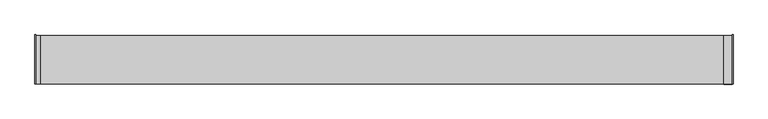
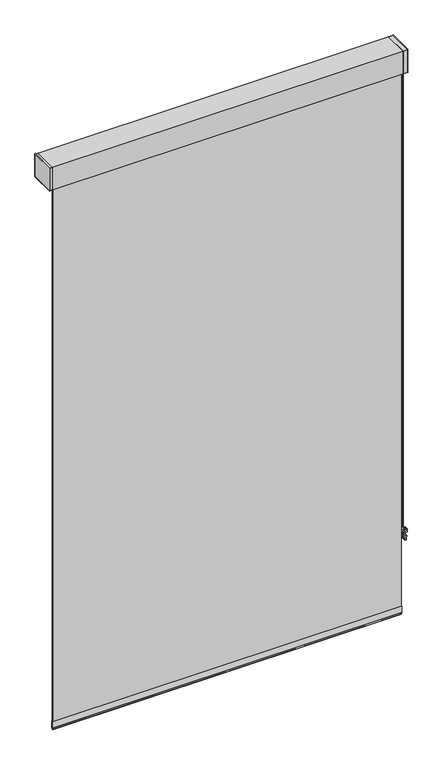
"""IFC4 building model written with IfcOpenShell, lengths in millimetres: proxy geometry."""

from ifc_helpers import new_model, si_unit, point, frame, frame_2d, origin, place, context, project, spatial, polyline, circle_curve, trimmed, segment, composite_curve, outline, extrude, source, transform, mapped, element, save
from ifc_brep_helpers import plane_surface, cylinder_surface, revolved_surface, advanced_brep


def specialty_equipment_382c6844(model_context):
    return source(origin(), model_context, "Body", "SolidModel", [
        advanced_brep(
        [(754.7975373, 114.3, -748.5031492), (759.8345279, 114.3, -754.1318492), (755.147822, 114.3, -796.2412853), (752.1866072, 114.3, -798.8912064), (749.7153928, 114.3, -798.8912064), (746.754178, 114.3, -796.2412853), (742.0674721, 114.3, -754.1318492), (747.1044627, 114.3, -748.5031492), (747.776, 114.3, -755.1453529), (754.126, 114.3, -755.1453529), (747.776, 114.3, -790.8641029), (754.126, 114.3, -790.8641029), (754.7975373, 101.6, -748.5031492), (747.1044627, 101.6, -748.5031492), (742.0674721, 101.6, -754.1318492), (743.2919654, 101.6, -765.1337606), (758.6100346, 101.6, -765.1337606), (759.8345279, 101.6, -754.1318492), (747.776, 101.6, -755.1453529), (754.126, 101.6, -755.1453529), (746.754178, 101.6, -796.2412853), (749.7153928, 101.6, -798.8912064), (752.1866072, 101.6, -798.8912064), (755.147822, 101.6, -796.2412853), (756.9731218, 101.6, -779.8412064), (744.9288782, 101.6, -779.8412064), (747.776, 101.6, -790.8641029), (754.126, 101.6, -790.8641029), (758.6100346, 111.125, -765.1337606), (756.9731218, 111.125, -779.8412064), (744.9288782, 111.125, -779.8412064), (743.2919654, 111.125, -765.1337606)],
        [
            (0, 1, circle_curve(frame((754.7975373, 114.3, -753.5712411), z_axis=(0.0, 1.0, 0.0), x_axis=(-1.0, 0.0, 0.0)), 5.0680919)),
            (1, 2),
            (2, 3, circle_curve(frame((752.1866072, 114.3, -795.9117073), z_axis=(0.0, 1.0, 0.0), x_axis=(-1.0, 0.0, 0.0)), 2.9794991)),
            (3, 4),
            (4, 5, circle_curve(frame((749.7153928, 114.3, -795.9117073), z_axis=(0.0, 1.0, 0.0), x_axis=(1.0, 0.0, 0.0)), 2.9794991)),
            (5, 6),
            (6, 7, circle_curve(frame((747.1044627, 114.3, -753.5712411), z_axis=(0.0, 1.0, 0.0), x_axis=(1.0, 0.0, 0.0)), 5.0680919)),
            (7, 0),
            (8, 9, circle_curve(frame((750.951, 114.3, -755.1453529), z_axis=(0.0, -1.0, 0.0), x_axis=(1.0, 0.0, 0.0)), 3.175)),
            (9, 8, circle_curve(frame((750.951, 114.3, -755.1453529), z_axis=(0.0, -1.0, 0.0), x_axis=(1.0, 0.0, 0.0)), 3.175)),
            (10, 11, circle_curve(frame((750.951, 114.3, -790.8641029), z_axis=(0.0, -1.0, 0.0), x_axis=(1.0, 0.0, 0.0)), 3.175)),
            (11, 10, circle_curve(frame((750.951, 114.3, -790.8641029), z_axis=(0.0, -1.0, 0.0), x_axis=(1.0, 0.0, 0.0)), 3.175)),
            (12, 13),
            (13, 14, circle_curve(frame((747.1044627, 101.6, -753.5712411), z_axis=(0.0, -1.0, 0.0), x_axis=(1.0, 0.0, 0.0)), 5.0680919)),
            (14, 15),
            (15, 16),
            (16, 17),
            (17, 12, circle_curve(frame((754.7975373, 101.6, -753.5712411), z_axis=(0.0, -1.0, 0.0), x_axis=(-1.0, 0.0, 0.0)), 5.0680919)),
            (18, 19, circle_curve(frame((750.951, 101.6, -755.1453529), z_axis=(0.0, 1.0, 0.0), x_axis=(1.0, 0.0, 0.0)), 3.175)),
            (19, 18, circle_curve(frame((750.951, 101.6, -755.1453529), z_axis=(0.0, 1.0, 0.0), x_axis=(1.0, 0.0, 0.0)), 3.175)),
            (20, 21, circle_curve(frame((749.7153928, 101.6, -795.9117073), z_axis=(0.0, -1.0, 0.0), x_axis=(1.0, 0.0, 0.0)), 2.9794991)),
            (21, 22),
            (22, 23, circle_curve(frame((752.1866072, 101.6, -795.9117073), z_axis=(0.0, -1.0, 0.0), x_axis=(-1.0, 0.0, 0.0)), 2.9794991)),
            (23, 24),
            (24, 25),
            (25, 20),
            (26, 27, circle_curve(frame((750.951, 101.6, -790.8641029), z_axis=(0.0, 1.0, 0.0), x_axis=(1.0, 0.0, 0.0)), 3.175)),
            (27, 26, circle_curve(frame((750.951, 101.6, -790.8641029), z_axis=(0.0, 1.0, 0.0), x_axis=(1.0, 0.0, 0.0)), 3.175)),
            (0, 12),
            (17, 1),
            (16, 28),
            (28, 29),
            (29, 24),
            (23, 2),
            (22, 3),
            (21, 4),
            (20, 5),
            (25, 30),
            (30, 31),
            (31, 15),
            (14, 6),
            (13, 7),
            (8, 18),
            (19, 9),
            (10, 26),
            (27, 11),
            (28, 31),
            (30, 29),
        ],
        [
            plane_surface(frame((749.7294454, 114.3, -753.5712411), z_axis=(0.0, 1.0, 0.0), x_axis=(0.0, 0.0, 1.0))),
            plane_surface(frame((749.7294454, 101.6, -753.5712411), z_axis=(0.0, -1.0, 0.0), x_axis=(0.0, 0.0, -1.0))),
            cylinder_surface(frame((754.7975373, 101.6, -753.5712411), z_axis=(0.0, 1.0, 0.0), x_axis=(-1.0, 0.0, 0.0)), 5.0680919),
            plane_surface(frame((759.8345279, 114.3, -754.1318492), z_axis=(0.9938633059315283, 0.0, -0.11061523006735367), x_axis=(0.0, -1.0, 0.0))),
            cylinder_surface(frame((752.1866072, 101.6, -795.9117073), z_axis=(0.0, 1.0, 0.0), x_axis=(-1.0, 0.0, 0.0)), 2.9794991),
            plane_surface(frame((752.1866072, 114.3, -798.8912064), z_axis=(0.0, 0.0, -1.0), x_axis=(0.0, -1.0, 0.0))),
            cylinder_surface(frame((749.7153928, 101.6, -795.9117073), z_axis=(0.0, 1.0, 0.0), x_axis=(1.0, 0.0, 0.0)), 2.9794991),
            plane_surface(frame((746.754178, 114.3, -796.2412853), z_axis=(-0.9938633059315276, 0.0, -0.11061523006736003), x_axis=(0.0, -1.0, 0.0))),
            cylinder_surface(frame((747.1044627, 101.6, -753.5712411), z_axis=(0.0, 1.0, 0.0), x_axis=(1.0, 0.0, 0.0)), 5.0680919),
            plane_surface(frame((747.1044627, 114.3, -748.5031492), z_axis=(0.0, 0.0, 1.0), x_axis=(0.0, -1.0, 0.0))),
            revolved_surface(polyline([(754.126, 101.6, -755.1453529), (754.126, 114.3, -755.1453529)]), (750.951, 101.6, -755.1453529), (0.0, -1.0, 0.0)),
            revolved_surface(polyline([(754.126, 101.6, -790.8641029), (754.126, 114.3, -790.8641029)]), (750.951, 101.6, -790.8641029), (0.0, -1.0, 0.0)),
            plane_surface(frame((732.092928, 111.125, -779.8412064), z_axis=(0.0, -1.0, 0.0), x_axis=(-1.0, 0.0, 0.0))),
            plane_surface(frame((759.6783137, 111.125, -779.8412064), z_axis=(0.0, 0.0, 1.0), x_axis=(0.0, -1.0, 0.0))),
            plane_surface(frame((741.8653132, 111.125, -765.1337606), z_axis=(0.0, 0.0, -1.0), x_axis=(0.0, -1.0, 0.0))),
        ],
        [
            (0, [[1, 2, 3, 4, 5, 6, 7, 8], [9, 10], [11, 12]]),
            (1, [[13, 14, 15, 16, 17, 18], [19, 20]]),
            (1, [[21, 22, 23, 24, 25, 26], [27, 28]]),
            (2, [[-1, 29, -18, 30]]),
            (3, [[-2, -30, -17, 31, 32, 33, -24, 34]]),
            (4, [[-3, -34, -23, 35]]),
            (5, [[-4, -35, -22, 36]]),
            (6, [[-5, -36, -21, 37]]),
            (7, [[-6, -37, -26, 38, 39, 40, -15, 41]]),
            (8, [[-7, -41, -14, 42]]),
            (9, [[-8, -42, -13, -29]]),
            (10, [[-9, 43, -20, 44]]),
            (10, [[-10, -44, -19, -43]]),
            (11, [[-11, 45, -28, 46]]),
            (11, [[-12, -46, -27, -45]]),
            (12, [[47, -39, 48, -32]]),
            (13, [[-48, -38, -25, -33]]),
            (14, [[-47, -31, -16, -40]]),
        ],
    ),
        extrude(outline(composite_curve([segment(trimmed(circle_curve(frame_2d((758.987611, 132.80211)), 1.5875), [point((757.400111, 132.80211))], [point((760.575111, 132.80211))], False, "CARTESIAN"), True, "CONTINUOUS"), segment(trimmed(circle_curve(frame_2d((758.987611, 132.80211)), 1.5875), [point((760.575111, 132.80211))], [point((757.400111, 132.80211))], False, "CARTESIAN"), True, "CONTINUOUS")], self_intersect=False)), frame((0.0, 0.0, -771.4837606), z_axis=(0.0, 0.0, 1.0), x_axis=(1.0, 0.0, 0.0)), (0.0, 0.0, 1.0), 2072.64),
        extrude(outline(composite_curve([segment(trimmed(circle_curve(frame_2d((758.987611, 164.55211)), 1.5875), [point((757.400111, 164.55211))], [point((760.575111, 164.55211))], False, "CARTESIAN"), True, "CONTINUOUS"), segment(trimmed(circle_curve(frame_2d((758.987611, 164.55211)), 1.5875), [point((760.575111, 164.55211))], [point((757.400111, 164.55211))], False, "CARTESIAN"), True, "CONTINUOUS")], self_intersect=False)), frame((0.0, 0.0, -771.4837606), z_axis=(0.0, 0.0, 1.0), x_axis=(1.0, 0.0, 0.0)), (0.0, 0.0, 1.0), 2072.64),
        extrude(outline(polyline([(762.0, 207.9625), (762.0, 101.6), (741.426, 101.6), (741.426, 207.9625), (762.0, 207.9625)])), frame((0.0, 0.0, 1301.1562394), z_axis=(0.0, 0.0, 1.0), x_axis=(1.0, 0.0, 0.0)), (0.0, 0.0, 1.0), 100.0125),
        extrude(outline(polyline([(762.0, 101.6), (760.4125, 101.6), (760.4125, 209.55), (762.0, 209.55), (762.0, 101.6)])), frame((0.0, 0.0, 1299.5687394), z_axis=(0.0, 0.0, 1.0), x_axis=(1.0, 0.0, 0.0)), (0.0, 0.0, 1.0), 103.1875),
        extrude(outline(polyline([(-750.316, 207.9625), (-750.316, 101.6), (-762.0, 101.6), (-762.0, 207.9625), (-750.316, 207.9625)])), frame((0.0, 0.0, 1301.1562394), z_axis=(0.0, 0.0, 1.0), x_axis=(1.0, 0.0, 0.0)), (0.0, 0.0, 1.0), 100.0125),
        extrude(outline(polyline([(-762.0, 209.55), (-760.4125, 209.55), (-760.4125, 101.6), (-762.0, 101.6), (-762.0, 209.55)])), frame((0.0, 0.0, 1299.5687394), z_axis=(0.0, 0.0, 1.0), x_axis=(1.0, 0.0, 0.0)), (0.0, 0.0, 1.0), 103.1875),
        extrude(outline(polyline([(-762.0, 207.9625), (762.0, 207.9625), (762.0, 101.6), (-762.0, 101.6), (-762.0, 207.9625)])), frame((0.0, 0.0, 1301.1562394), z_axis=(0.0, 0.0, 1.0), x_axis=(1.0, 0.0, 0.0)), (0.0, 0.0, 1.0), 100.0125),
        extrude(outline(polyline([(741.426, 114.3), (-741.426, 114.3), (-741.426, 117.475), (741.426, 117.475), (741.426, 114.3)])), frame((0.0, 0.0, -1137.2437606), z_axis=(0.0, 0.0, 1.0), x_axis=(1.0, 0.0, 0.0)), (0.0, 0.0, 1.0), 2438.4),
        extrude(outline(composite_curve([segment(polyline([(115.9109476, -1093.1658784), (117.4825911, -1093.1658784)]), True, "CONTINUOUS"), segment(trimmed(circle_curve(frame_2d((58.6477456, -1114.5765725)), 62.6095589), [point((117.4825911, -1093.1658784))], [point((117.1000216, -1137.0106606))], False, "CARTESIAN"), True, "CONTINUOUS"), segment(trimmed(circle_curve(frame_2d((116.6967693, -1136.8216302)), 0.4453592), [point((117.1000216, -1137.0106606))], [point((116.2935171, -1137.0106606))], False, "CARTESIAN"), True, "CONTINUOUS"), segment(trimmed(circle_curve(frame_2d((174.7457931, -1114.5765725)), 62.6095589), [point((116.2935171, -1137.0106606))], [point((115.9109476, -1093.1658784))], False, "CARTESIAN"), True, "CONTINUOUS")], self_intersect=False)), frame((-741.426, 0.0, 0.0), z_axis=(1.0, 0.0, 0.0), x_axis=(0.0, 1.0, 0.0)), (0.0, 0.0, 1.0), 1482.852),
    ])


if __name__ == "__main__":
    model = new_model("IFC4")
    model_context = context("Model", 3, world=origin())
    ifc_project = project(units=[si_unit("LENGTHUNIT", "METRE", prefix="MILLI")], contexts=[model_context])
    site = spatial("IfcSite", under=ifc_project)
    building = spatial("IfcBuilding", under=site)
    placement = place(None, origin())
    specialty_equipment_shape = specialty_equipment_382c6844(model_context)
    element("IfcBuildingElementProxy", 1, Name="Specialty Equipment", at=placement, inside=building, context=model_context, shape_type="MappedRepresentation", body=[
        mapped(specialty_equipment_shape, transform((0.0, 0.0, 0.0), x_axis=(1.0, 0.0, 0.0), y_axis=(0.0, 1.0, 0.0), z_axis=(0.0, 0.0, 1.0))),
    ])
    save(model, "model.ifc")
